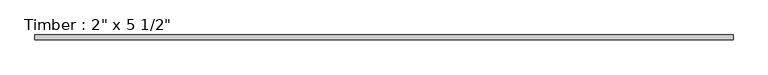
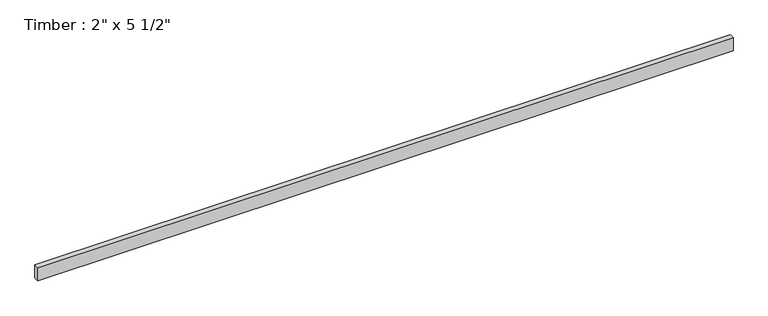
"""IFC4 building model written with IfcOpenShell, lengths in millimetres: beam geometry."""

import ifcopenshell
import ifcopenshell.guid

model = None  # the IFC model being written
_history = None  # IfcOwnerHistory: only IFC2X3 demands one
_inside = {}  # id of a spatial element -> (the spatial element, [elements in it])
_under = {}  # id of a project, library or spatial element -> (it, [spatial elements below it])
_declared = {}  # id of a project -> (the project, [libraries it declares])
_typed = {}  # id of a type object -> (the type object, [elements of that type])
_made_of = {}  # id of a material, layer set ... -> (it, [elements and type objects made of it])


def new_model(schema):
    """Start an empty IFC model of exactly this schema.

    Asked for "IFC4X3", IfcOpenShell would pick the latest addendum, in which some entities
    have other attributes; the version numbers below select the first issue.
    IFC2X3 requires an IfcOwnerHistory on every rooted entity: one is made here for all.
    """
    global model, _history
    if schema == "IFC4X3":
        model = ifcopenshell.file(schema_version=(4, 3, 0, 0))
    else:
        model = ifcopenshell.file(schema=schema)
    _inside.clear()
    _under.clear()
    _declared.clear()
    _typed.clear()
    _made_of.clear()
    _history = None
    if model.schema == "IFC2X3":
        org = make("IfcOrganization", Name="unknown")
        user = make(
            "IfcPersonAndOrganization",
            ThePerson=make("IfcPerson", FamilyName="unknown"),
            TheOrganization=org,
        )
        app = make(
            "IfcApplication",
            ApplicationDeveloper=org,
            Version="unknown",
            ApplicationFullName="unknown",
            ApplicationIdentifier="unknown",
        )
        _history = make(
            "IfcOwnerHistory",
            OwningUser=user,
            OwningApplication=app,
            ChangeAction="ADDED",
            CreationDate=0,
        )
    return model


def make(cls, **values):
    """One entity of the class cls with the attributes given. An attribute that is None is left unset."""
    return model.create_entity(
        cls, **{name: value for name, value in values.items() if value is not None}
    )


def rooted(cls, **values):
    """An entity with a GlobalId (a new one), such as an element, a storey or a relation."""
    return make(cls, GlobalId=ifcopenshell.guid.new(), OwnerHistory=_history, **values)


def si_unit(unit_type, name, prefix=None):
    """IfcSIUnit, for example si_unit("LENGTHUNIT", "METRE", prefix="MILLI")."""
    return make("IfcSIUnit", UnitType=unit_type, Prefix=prefix, Name=name)


def assignment(units):
    """IfcUnitAssignment: the units of a project."""
    return None if units is None else make("IfcUnitAssignment", Units=units)


def point(xyz):
    """IfcCartesianPoint."""
    return None if xyz is None else make("IfcCartesianPoint", Coordinates=xyz)


def direction(xyz):
    """IfcDirection."""
    return None if xyz is None else make("IfcDirection", DirectionRatios=xyz)


def frame(location, z_axis=None, x_axis=None):
    """IfcAxis2Placement3D, a coordinate frame: its origin and axes. An axis left out is left unset."""
    return make(
        "IfcAxis2Placement3D",
        Location=point(location),
        Axis=direction(z_axis),
        RefDirection=direction(x_axis),
    )


def origin():
    """The frame at (0, 0, 0) with its axes left unset."""
    return frame((0.0, 0.0, 0.0))


def place(relative_to, where):
    """IfcLocalPlacement: puts the frame where relative to a parent placement (None: the world)."""
    return make(
        "IfcLocalPlacement", PlacementRelTo=relative_to, RelativePlacement=where
    )


def context(
    kind, dimensions, precision=None, world=None, true_north=None, identifier=None
):
    """IfcGeometricRepresentationContext, for example the 3D "Model" context."""
    return make(
        "IfcGeometricRepresentationContext",
        ContextIdentifier=identifier,
        ContextType=kind,
        CoordinateSpaceDimension=dimensions,
        Precision=precision,
        WorldCoordinateSystem=world,
        TrueNorth=true_north,
    )


def project(units=None, contexts=None):
    """IfcProject with its units and contexts."""
    return rooted(
        "IfcProject",
        Name="project",
        RepresentationContexts=contexts,
        UnitsInContext=assignment(units),
    )


def spatial(cls, under=None, at=None, **own):
    """A site, building, storey or space (cls), placed at a placement, below another one or the project."""
    s = rooted(cls, ObjectPlacement=at, **own)
    if under is not None:
        _under.setdefault(under.id(), (under, []))[1].append(s)
    return s


def polyline(points):
    """IfcPolyline through the points."""
    return make("IfcPolyline", Points=[point(p) for p in points])


def outline(outer, holes=None, kind="AREA"):
    """IfcArbitraryClosedProfileDef: a profile drawn as a closed curve; with holes, ...WithVoids."""
    if holes is None:
        return make("IfcArbitraryClosedProfileDef", ProfileType=kind, OuterCurve=outer)
    return make(
        "IfcArbitraryProfileDefWithVoids",
        ProfileType=kind,
        OuterCurve=outer,
        InnerCurves=holes,
    )


def extrude(swept, where, along, depth):
    """IfcExtrudedAreaSolid: the profile swept, set in the frame where, extruded along a direction by depth."""
    return make(
        "IfcExtrudedAreaSolid",
        SweptArea=swept,
        Position=where,
        ExtrudedDirection=direction(along),
        Depth=depth,
    )


def shape(context_of_items, identifier, shape_type, items):
    """IfcShapeRepresentation: the items that make up one representation, for example the "Body"."""
    return make(
        "IfcShapeRepresentation",
        ContextOfItems=context_of_items,
        RepresentationIdentifier=identifier,
        RepresentationType=shape_type,
        Items=items,
    )


def source(mapping_origin, context_of_items, identifier, shape_type, items):
    """IfcRepresentationMap: a shape defined once, which mapped items show again and again."""
    return make(
        "IfcRepresentationMap",
        MappingOrigin=mapping_origin,
        MappedRepresentation=shape(context_of_items, identifier, shape_type, items),
    )


def transform(
    local_origin,
    x_axis=None,
    y_axis=None,
    z_axis=None,
    scale=None,
    scale2=None,
    scale3=None,
    uniform=True,
):
    """IfcCartesianTransformationOperator3D, or its non-uniform kind. x_axis, y_axis, z_axis: its Axis1, 2, 3."""
    if uniform:
        return make(
            "IfcCartesianTransformationOperator3D",
            Axis1=direction(x_axis),
            Axis2=direction(y_axis),
            LocalOrigin=point(local_origin),
            Scale=scale,
            Axis3=direction(z_axis),
        )
    return make(
        "IfcCartesianTransformationOperator3DnonUniform",
        Axis1=direction(x_axis),
        Axis2=direction(y_axis),
        LocalOrigin=point(local_origin),
        Scale=scale,
        Axis3=direction(z_axis),
        Scale2=scale2,
        Scale3=scale3,
    )


def mapped(mapping_source, mapping_target):
    """IfcMappedItem: shows the shape of a source again, moved by a transform."""
    return make(
        "IfcMappedItem", MappingSource=mapping_source, MappingTarget=mapping_target
    )


def made_of(thing, what):
    """Note that an element or type object is made of a material, layer set ...; save() writes the relation."""
    if what is not None:
        _made_of.setdefault(what.id(), (what, []))[1].append(thing)
    return thing


def element(
    cls,
    number,
    at=None,
    inside=None,
    cuts=None,
    type_object=None,
    material=None,
    context=None,
    identifier="Body",
    shape_type=None,
    held_by="IfcProductDefinitionShape",
    body=None,
    shapes=None,
    **own,
):
    """One element of the class cls, such as IfcWall. Its Tag is "e" and its number.

    at: its placement. inside: the storey or other place that contains it. cuts: it is an
    opening in that element (IfcRelVoidsElement). A single representation is given by context,
    identifier, shape_type and body (its items); several are given by shapes. held_by: the class
    of the entity that holds the representations. save() writes the other relations.
    """
    e = rooted(cls, Tag="e%d" % number, ObjectPlacement=at, **own)
    if body is not None:
        shapes = [shape(context, identifier, shape_type, body)]
    if shapes is not None:
        e.Representation = make(held_by, Representations=shapes)
    if inside is not None:
        _inside.setdefault(inside.id(), (inside, []))[1].append(e)
    if cuts is not None:
        rooted(
            "IfcRelVoidsElement", RelatingBuildingElement=cuts, RelatedOpeningElement=e
        )
    if type_object is not None:
        _typed.setdefault(type_object.id(), (type_object, []))[1].append(e)
    return made_of(e, material)


def aggregate(whole, parts):
    """IfcRelAggregates: a whole, such as a stair, and the parts it consists of."""
    return rooted("IfcRelAggregates", RelatingObject=whole, RelatedObjects=parts)


def save(model, path):
    """Write the relations noted so far, then the file.

    IfcRelAggregates (storeys below a building ...), IfcRelContainedInSpatialStructure (elements
    in a storey), IfcRelDefinesByType, IfcRelAssociatesMaterial and IfcRelDeclares: one each for
    every whole, place, type object, material and project.
    """
    for whole, parts in _under.values():
        aggregate(whole, parts)
    for where, things in _inside.values():
        rooted(
            "IfcRelContainedInSpatialStructure",
            RelatedElements=things,
            RelatingStructure=where,
        )
    for kind, things in _typed.values():
        rooted("IfcRelDefinesByType", RelatedObjects=things, RelatingType=kind)
    for what, things in _made_of.values():
        rooted("IfcRelAssociatesMaterial", RelatedObjects=things, RelatingMaterial=what)
    for by, libraries in _declared.values():
        rooted("IfcRelDeclares", RelatingContext=by, RelatedDefinitions=libraries)
    model.write(path)


def beam_6f840657(model_context):
    return source(origin(), model_context, "Body", "SweptSolid", [
        extrude(outline(polyline([(3489.166373, 25.4), (3489.166373, -25.4), (-3489.166373, -25.4), (-3489.166373, 25.4), (3489.166373, 25.4)])), frame((0.0, 0.0, -69.85), z_axis=(0.0, 0.0, 1.0), x_axis=(1.0, 0.0, 0.0)), (0.0, 0.0, 1.0), 139.7),
    ])


if __name__ == "__main__":
    model = new_model("IFC4")
    model_context = context("Model", 3, world=origin())
    ifc_project = project(units=[si_unit("LENGTHUNIT", "METRE", prefix="MILLI")], contexts=[model_context])
    site = spatial("IfcSite", under=ifc_project)
    building = spatial("IfcBuilding", under=site)
    placement = place(None, origin())
    beam_shape = beam_6f840657(model_context)
    element("IfcBeam", 1, ObjectType="Timber : 2\" x 5 1/2\"", at=placement, inside=building, context=model_context, shape_type="MappedRepresentation", body=[
        mapped(beam_shape, transform((0.0, 0.0, 0.0), x_axis=(1.0, 0.0, 0.0), y_axis=(0.0, 1.0, 0.0), z_axis=(0.0, 0.0, 1.0))),
    ])
    save(model, "model.ifc")
